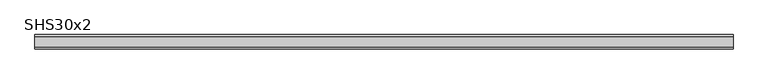
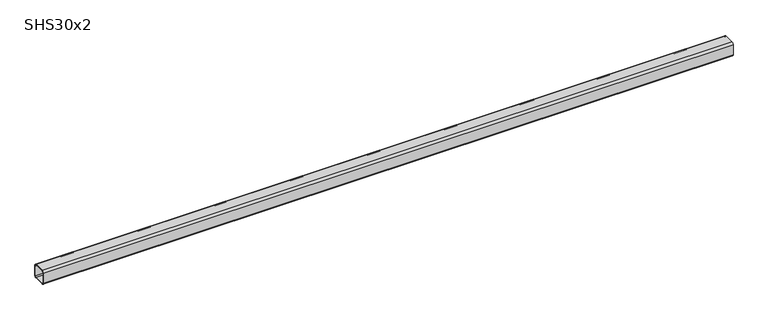
"""IFC4 building model written with IfcOpenShell, lengths in millimetres: beam geometry, SHS30x2."""

from ifc_helpers import new_model, si_unit, point, frame, frame_2d, origin, place, context, project, spatial, polyline, circle_curve, trimmed, segment, composite_curve, outline, extrude, source, transform, mapped, element, save


def shs30x2_8402feec(model_context):
    return source(origin(), model_context, "Body", "SweptSolid", [
        extrude(outline(composite_curve([segment(polyline([(15.0, 11.0), (15.0, -11.0)]), True, "CONTINUOUS"), segment(trimmed(circle_curve(frame_2d((11.0, -11.0)), 4.0), [point((15.0, -11.0))], [point((11.0, -15.0))], False, "CARTESIAN"), True, "CONTINUOUS"), segment(polyline([(11.0, -15.0), (-11.0, -15.0)]), True, "CONTINUOUS"), segment(trimmed(circle_curve(frame_2d((-11.0, -11.0)), 4.0), [point((-11.0, -15.0))], [point((-15.0, -11.0))], False, "CARTESIAN"), True, "CONTINUOUS"), segment(polyline([(-15.0, -11.0), (-15.0, 11.0)]), True, "CONTINUOUS"), segment(trimmed(circle_curve(frame_2d((-11.0, 11.0)), 4.0), [point((-15.0, 11.0))], [point((-11.0, 15.0))], False, "CARTESIAN"), True, "CONTINUOUS"), segment(polyline([(-11.0, 15.0), (11.0, 15.0)]), True, "CONTINUOUS"), segment(trimmed(circle_curve(frame_2d((11.0, 11.0)), 4.0), [point((11.0, 15.0))], [point((15.0, 11.0))], False, "CARTESIAN"), True, "CONTINUOUS")], self_intersect=False), holes=[composite_curve([segment(trimmed(circle_curve(frame_2d((-11.0, 11.0)), 2.0), [point((-11.0, 13.0))], [point((-13.0, 11.0))], True, "CARTESIAN"), True, "CONTINUOUS"), segment(polyline([(-13.0, 11.0), (-13.0, -11.0)]), True, "CONTINUOUS"), segment(trimmed(circle_curve(frame_2d((-11.0, -11.0)), 2.0), [point((-13.0, -11.0))], [point((-11.0, -13.0))], True, "CARTESIAN"), True, "CONTINUOUS"), segment(polyline([(-11.0, -13.0), (11.0, -13.0)]), True, "CONTINUOUS"), segment(trimmed(circle_curve(frame_2d((11.0, -11.0)), 2.0), [point((11.0, -13.0))], [point((13.0, -11.0))], True, "CARTESIAN"), True, "CONTINUOUS"), segment(polyline([(13.0, -11.0), (13.0, 11.0)]), True, "CONTINUOUS"), segment(trimmed(circle_curve(frame_2d((11.0, 11.0)), 2.0), [point((13.0, 11.0))], [point((11.0, 13.0))], True, "CARTESIAN"), True, "CONTINUOUS"), segment(polyline([(11.0, 13.0), (-11.0, 13.0)]), True, "CONTINUOUS")], self_intersect=False)]), frame((-750.0, 0.0, 0.0), z_axis=(1.0, 0.0, 0.0), x_axis=(0.0, 1.0, 0.0)), (0.0, 0.0, 1.0), 1454.0),
    ])


if __name__ == "__main__":
    model = new_model("IFC4")
    model_context = context("Model", 3, world=origin())
    ifc_project = project(units=[si_unit("LENGTHUNIT", "METRE", prefix="MILLI")], contexts=[model_context])
    site = spatial("IfcSite", under=ifc_project)
    building = spatial("IfcBuilding", under=site)
    placement = place(None, origin())
    shs30x2_shape = shs30x2_8402feec(model_context)
    element("IfcBeam", 1, ObjectType="SHS30x2", at=placement, inside=building, context=model_context, shape_type="MappedRepresentation", body=[
        mapped(shs30x2_shape, transform((0.0, 0.0, 0.0), x_axis=(1.0, 0.0, 0.0), y_axis=(0.0, 1.0, 0.0), z_axis=(0.0, 0.0, 1.0))),
    ])
    save(model, "model.ifc")
